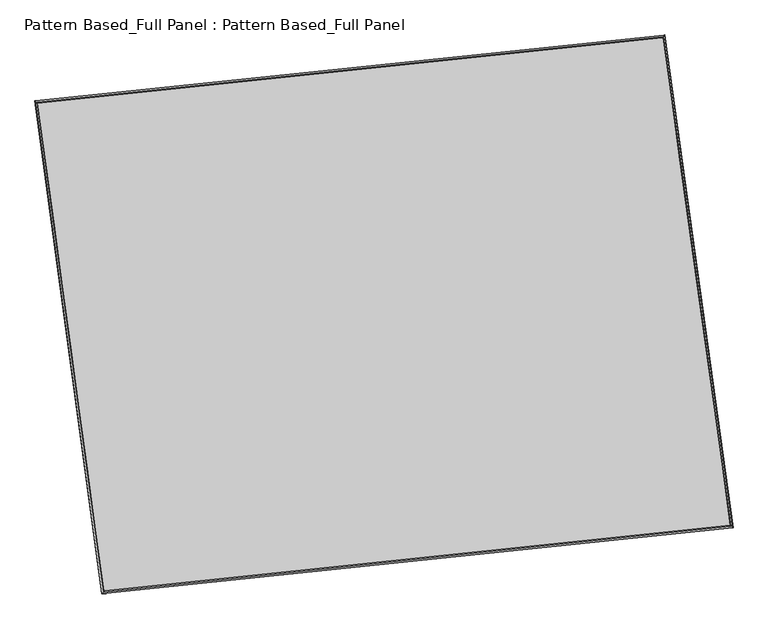
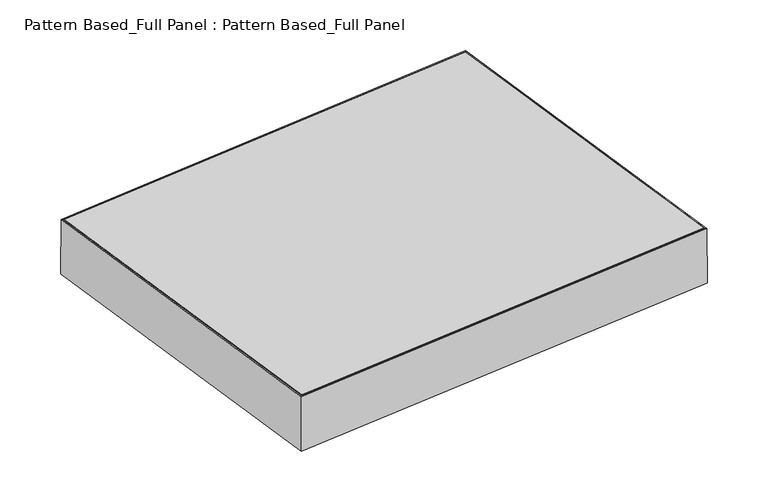
"""IFC4 building model written with IfcOpenShell, lengths in millimetres: plate geometry, Pattern Based_Full Panel : Pattern Based_Full Panel."""

from ifc_helpers import new_model, si_unit, frame, origin, place, context, project, spatial, faceted_brep, source, transform, mapped, element, save
from ifc_brep_helpers import plane_surface, spline_surface, advanced_brep


def pattern_based_full_panel_pattern_based_full_panel_0bdfdfc3(model_context):
    return source(origin(), model_context, "Body", "SolidModel", [
        advanced_brep(
        [(3779.9189841, 5055.6331513, -153.1349701), (5210.6555512, 5205.6310372, -151.6645414), (5210.6556009, 5205.6310452, -154.8395414), (3779.9190339, 5055.6331593, -156.3099701), (3929.3240183, 3955.6925211, -151.6888261), (3929.3240681, 3955.6925291, -154.8638261), (5362.7046568, 4105.5599123, -153.1110143), (5362.7047066, 4105.5599204, -156.2860143)],
        [
            (0, 1),
            (1, 2),
            (2, 3),
            (3, 0),
            (4, 0),
            (3, 5),
            (5, 4),
            (6, 4),
            (5, 7),
            (7, 6),
            (1, 6),
            (7, 2),
        ],
        [
            plane_surface(frame((4495.2872677, 5130.6320942, -152.3997558), z_axis=(-0.1042681685902689, 0.9945492190022782, 8.887346607537496e-07), x_axis=(0.9945486995596408, 0.10426811321870695, 0.0010221399309177622))),
            plane_surface(frame((3854.6215012, 4505.6628362, -152.4118981), z_axis=(-0.990900807438831, -0.134594166164161, -1.5863388745951358e-05), x_axis=(-0.13459403148297558, 0.990899969444562, -0.001302783146104647))),
            plane_surface(frame((4646.0143376, 4030.6262167, -152.3999202), z_axis=(0.10398834909628199, -0.9945785153779627, -8.931922159428082e-07), x_axis=(-0.9945780310273739, -0.10398829934112985, 0.000986811963822546))),
            plane_surface(frame((5286.680104, 4655.5954748, -152.3877778), z_axis=(0.9905826801240614, 0.13691586316623808, 1.5864292775615447e-05), x_axis=(0.13691576751170553, -0.9905818371460123, -0.0013025064729135173))),
            spline_surface(1, 1, [[(5362.7047066, 4105.5599204, -156.2860143), (5210.6556009, 5205.6310452, -154.8395414)], [(3929.3240681, 3955.6925291, -154.8638261), (3779.9190339, 5055.6331593, -156.3099701)]], [2, 2], [2, 2], [0.0, 1.0], [0.0, 1.0]),
            spline_surface(1, 1, [[(3779.9189841, 5055.6331513, -153.1349701), (5210.6555512, 5205.6310372, -151.6645414)], [(3929.3240183, 3955.6925211, -151.6888261), (5362.7046568, 4105.5599123, -153.1110143)]], [2, 2], [2, 2], [0.0, 1.0], [0.0, 1.0]),
        ],
        [
            (0, [[1, 2, 3, 4]]),
            (1, [[5, -4, 6, 7]]),
            (2, [[8, -7, 9, 10]]),
            (3, [[11, -10, 12, -2]]),
            (4, [[-12, -9, -6, -3]]),
            (5, [[-1, -5, -8, -11]]),
        ],
    ),
        advanced_brep(
        [(3737.043265, 5089.6444074, -0.826428), (5243.5194917, 5247.1598222, 0.8264288), (5243.51989, 5247.1598768, -24.5735712), (3737.0436633, 5089.6444621, -26.226428), (3896.7201363, 3913.9970126, 0.8009419), (3896.7205346, 3913.9970672, -24.5990581), (5405.9760146, 4071.8003995, -0.8009443), (5405.976413, 4071.8004541, -26.2009443)],
        [
            (0, 1),
            (1, 2),
            (2, 3),
            (3, 0),
            (4, 0),
            (3, 5),
            (5, 4),
            (6, 4),
            (5, 7),
            (7, 6),
            (1, 6),
            (7, 2),
        ],
        [
            plane_surface(frame((4490.2813784, 5168.4021148, 4e-07), z_axis=(-0.10399194241709515, 0.9945781396713184, 5.091965020595019e-07), x_axis=(0.9945775475785623, 0.1039918799498864, 0.0010912181729600865))),
            plane_surface(frame((3816.8817006, 4501.82071, -0.012743), z_axis=(-0.9909020909387063, -0.13458471652734935, -1.5828861643125188e-05), x_axis=(-0.13458456842697974, 0.9909011618473471, -0.0013716380357793312))),
            plane_surface(frame((4651.3480754, 3992.898706, -1.2e-06), z_axis=(0.1039902041340974, -0.9945783214226468, -5.092241740014967e-07), x_axis=(-0.9945777672209158, -0.10399014672886066, 0.0010556198026995967))),
            plane_surface(frame((5324.7477532, 4659.4801108, 0.0127423), z_axis=(0.9905825367829044, 0.13691690023584754, 1.58288684802739e-05), x_axis=(0.13691679298068543, -0.990581602238464, -0.0013715343822333574))),
            spline_surface(1, 1, [[(5405.976413, 4071.8004541, -26.2009443), (5243.51989, 5247.1598768, -24.5735712)], [(3896.7205346, 3913.9970672, -24.5990581), (3737.0436633, 5089.6444621, -26.226428)]], [2, 2], [2, 2], [0.0, 1.0], [0.0, 1.0]),
            spline_surface(1, 1, [[(3737.043265, 5089.6444074, -0.826428), (5243.5194917, 5247.1598222, 0.8264288)], [(3896.7201363, 3913.9970126, 0.8009419), (5405.9760146, 4071.8003995, -0.8009443)]], [2, 2], [2, 2], [0.0, 1.0], [0.0, 1.0]),
        ],
        [
            (0, [[1, 2, 3, 4]]),
            (1, [[5, -4, 6, 7]]),
            (2, [[8, -7, 9, 10]]),
            (3, [[11, -10, 12, -2]]),
            (4, [[-12, -9, -6, -3]]),
            (5, [[-1, -5, -8, -11]]),
        ],
    ),
        faceted_brep([(5246.7688731, 5253.8806732, 0.8397048), (5246.8632155, 5254.0653174, -202.3602197), (3729.6182379, 5095.4244146, -204.0424517), (3729.8730857, 5095.2762813, -0.84214), (5244.0443005, 5250.4034889, 0.8336018), (3733.4598783, 5092.459004, -0.8412454), (5244.0590415, 5250.4323396, -30.9163865), (3733.4200584, 5092.4821499, -32.5912941), (5208.6395969, 5205.2289439, -30.9957261), (3780.0483624, 5055.8575461, -32.5796641), (5208.7191983, 5205.3847374, -202.4456625), (3779.8333345, 5055.9825336, -204.0299271), (3891.0674408, 3906.7279347, -202.3832351), (3891.2591795, 3907.0444528, 0.816428), (3893.9909544, 3910.5223845, 0.8085356), (3893.9609953, 3910.4729286, -30.9414118), (3929.47407, 3955.6860405, -31.0440132), (3929.3122904, 3955.4189784, -202.4937289), (5413.5608649, 4065.9158818, -204.0167273), (5413.1610051, 4066.1705438, -0.8164295), (5409.5665361, 4068.9870199, -0.8175344), (5409.6290142, 4068.947229, -32.567581), (5362.900917, 4105.5614182, -32.5819453), (5363.2382988, 4105.346547, -204.0321967), (5249.26807, 5254.5605791, -202.3571733), (5248.9656374, 5254.1103637, 0.8421405), (5246.2410684, 5250.6331853, 0.8322485), (5246.2883235, 5250.7035315, -30.9176443), (5210.868927, 5205.5002127, -31.0462401), (5211.1241046, 5205.8800819, -202.4956611), (5249.0599799, 5254.2950081, -202.3579288)], [[[0, 1, 2, 3]], [[4, 0, 3, 5]], [[6, 4, 5, 7]], [[8, 6, 7, 9]], [[10, 8, 9, 11]], [[1, 10, 11, 2]], [[3, 2, 12, 13]], [[5, 3, 13, 14]], [[7, 5, 14, 15]], [[9, 7, 15, 16]], [[11, 9, 16, 17]], [[2, 11, 17, 12]], [[13, 12, 18, 19]], [[14, 13, 19, 20]], [[15, 14, 20, 21]], [[16, 15, 21, 22]], [[17, 16, 22, 23]], [[12, 17, 23, 18]], [[19, 18, 24, 25]], [[20, 19, 25, 26]], [[21, 20, 26, 27]], [[22, 21, 27, 28]], [[23, 22, 28, 29]], [[18, 23, 29, 30, 24]], [[1, 0, 4, 6, 8, 10]], [[24, 30, 29, 28, 27, 26, 25]]]),
        advanced_brep(
        [(5243.5194917, 5247.1598222, 0.8264288), (3737.043265, 5089.6444074, -0.826428), (3737.0432526, 5089.6444057, -0.032678), (5243.5194793, 5247.1598205, 1.6201788), (3896.7201363, 3913.9970126, 0.8009419), (3896.7201238, 3913.9970108, 1.5946919), (5405.9760146, 4071.8003995, -0.8009443), (5405.9760022, 4071.8003978, -0.0071943)],
        [
            (0, 1),
            (1, 2),
            (2, 3),
            (3, 0),
            (1, 4),
            (4, 5),
            (5, 2),
            (4, 6),
            (6, 7),
            (7, 5),
            (6, 0),
            (3, 7),
        ],
        [
            plane_surface(frame((4490.2813784, 5168.4021148, 4e-07), z_axis=(-0.10399194241709661, 0.9945781396713181, 5.091978544713639e-07), x_axis=(-0.9945775475785623, -0.1039918799498864, -0.0010912181729600865))),
            plane_surface(frame((3816.8817006, 4501.82071, -0.012743), z_axis=(-0.9909020909387062, -0.13458471652734938, -1.5828861685369933e-05), x_axis=(0.13458456842697974, -0.9909011618473471, 0.0013716380357793312))),
            plane_surface(frame((4651.3480754, 3992.898706, -1.2e-06), z_axis=(0.10399020413409743, -0.9945783214226468, -5.092241483674201e-07), x_axis=(0.9945777672209158, 0.10399014672886066, -0.0010556198026995967))),
            plane_surface(frame((5324.7477532, 4659.4801108, 0.0127423), z_axis=(0.9905825367829044, 0.1369169002358475, 1.582886851666783e-05), x_axis=(-0.13691679298068543, 0.990581602238464, 0.0013715343822333574))),
            spline_surface(1, 1, [[(3737.0432526, 5089.6444057, -0.032678), (5243.5194793, 5247.1598205, 1.6201788)], [(3896.7201238, 3913.9970108, 1.5946919), (5405.9760022, 4071.8003978, -0.0071943)]], [2, 2], [2, 2], [0.0, 1.0], [0.0, 1.0]),
            spline_surface(1, 1, [[(5405.9760146, 4071.8003995, -0.8009443), (5243.5194917, 5247.1598222, 0.8264288)], [(3896.7201363, 3913.9970126, 0.8009419), (3737.043265, 5089.6444074, -0.826428)]], [2, 2], [2, 2], [0.0, 1.0], [0.0, 1.0]),
        ],
        [
            (0, [[1, 2, 3, 4]]),
            (1, [[5, 6, 7, -2]]),
            (2, [[8, 9, 10, -6]]),
            (3, [[11, -4, 12, -9]]),
            (4, [[-3, -7, -10, -12]]),
            (5, [[-11, -8, -5, -1]]),
        ],
    ),
    ])


if __name__ == "__main__":
    model = new_model("IFC4")
    model_context = context("Model", 3, world=origin())
    ifc_project = project(units=[si_unit("LENGTHUNIT", "METRE", prefix="MILLI")], contexts=[model_context])
    site = spatial("IfcSite", under=ifc_project)
    building = spatial("IfcBuilding", under=site)
    placement = place(None, origin())
    pattern_based_full_panel_pattern_based_full_panel_shape = pattern_based_full_panel_pattern_based_full_panel_0bdfdfc3(model_context)
    element("IfcPlate", 1, ObjectType="Pattern Based_Full Panel : Pattern Based_Full Panel", at=placement, inside=building, context=model_context, shape_type="MappedRepresentation", body=[
        mapped(pattern_based_full_panel_pattern_based_full_panel_shape, transform((0.0, 0.0, 0.0), x_axis=(1.0, 0.0, 0.0), y_axis=(0.0, 1.0, 0.0), z_axis=(0.0, 0.0, 1.0))),
    ])
    save(model, "model.ifc")
